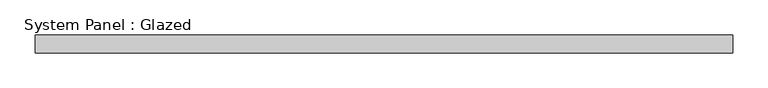
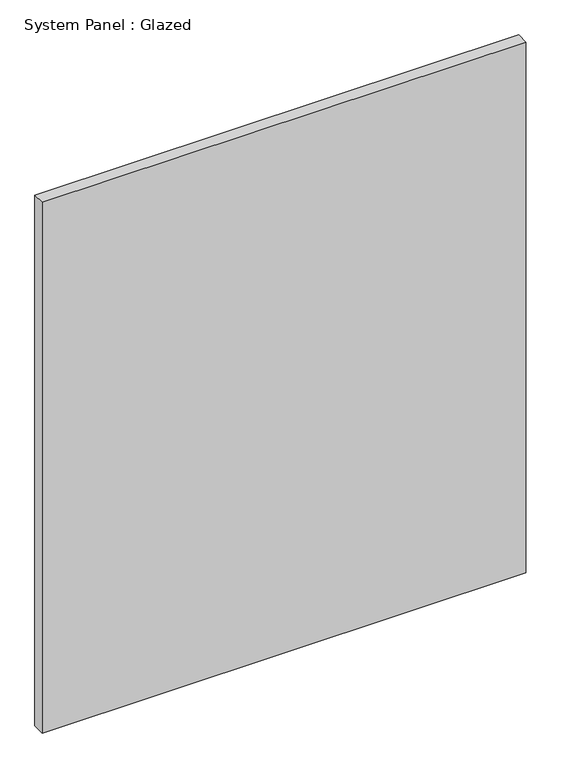
"""IFC4 building model written with IfcOpenShell, lengths in millimetres: plate geometry, System Panel : Glazed."""

from ifc_helpers import new_model, si_unit, origin, origin_with_axes, place, context, project, spatial, polyline, outline, extrude, source, transform, mapped, element, save


def system_panel_glazed_2f60f998(model_context):
    return source(origin(), model_context, "Body", "SweptSolid", [
        extrude(outline(polyline([(495.3, -12.7), (-495.3, -12.7), (-495.3, 12.7), (495.3, 12.7), (495.3, -12.7)])), origin_with_axes(), (0.0, 0.0, 1.0), 1149.35),
    ])


if __name__ == "__main__":
    model = new_model("IFC4")
    model_context = context("Model", 3, world=origin())
    ifc_project = project(units=[si_unit("LENGTHUNIT", "METRE", prefix="MILLI")], contexts=[model_context])
    site = spatial("IfcSite", under=ifc_project)
    building = spatial("IfcBuilding", under=site)
    placement = place(None, origin())
    system_panel_glazed_shape = system_panel_glazed_2f60f998(model_context)
    element("IfcPlate", 1, ObjectType="System Panel : Glazed", at=placement, inside=building, context=model_context, shape_type="MappedRepresentation", body=[
        mapped(system_panel_glazed_shape, transform((0.0, 0.0, 0.0), x_axis=(1.0, 0.0, 0.0), y_axis=(0.0, 1.0, 0.0), z_axis=(0.0, 0.0, 1.0))),
    ])
    save(model, "model.ifc")
